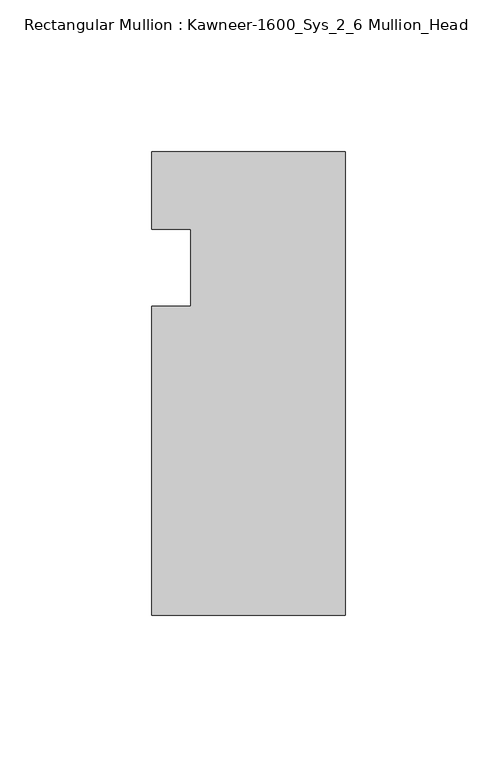
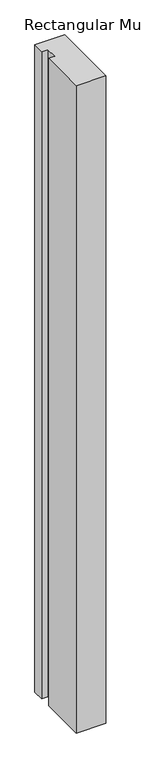
"""IFC4 building model written with IfcOpenShell, lengths in millimetres: member geometry, Rectangular Mullion : Kawneer-1600_Sys_2_6 Mullion_Head."""

from ifc_helpers import new_model, si_unit, frame, origin, place, context, project, spatial, polyline, outline, extrude, source, transform, mapped, element, save


def rectangular_mullion_kawneer_1600_sys_2_6_mullion_head_5498841b(model_context):
    return source(origin(), model_context, "Body", "SweptSolid", [
        extrude(outline(polyline([(-63.5, -114.3), (-63.5, -12.7), (-50.7982296, -12.7), (-50.7982296, 12.7), (-63.5, 12.7), (-63.5, 38.1), (0.0, 38.1), (0.0, -114.3), (-63.5, -114.3)])), frame((0.0, 0.0, -1460.5), z_axis=(0.0, 0.0, 1.0), x_axis=(1.0, 0.0, 0.0)), (0.0, 0.0, 1.0), 1460.5),
    ])


if __name__ == "__main__":
    model = new_model("IFC4")
    model_context = context("Model", 3, world=origin())
    ifc_project = project(units=[si_unit("LENGTHUNIT", "METRE", prefix="MILLI")], contexts=[model_context])
    site = spatial("IfcSite", under=ifc_project)
    building = spatial("IfcBuilding", under=site)
    placement = place(None, origin())
    rectangular_mullion_kawneer_1600_sys_2_6_mullion_head_shape = rectangular_mullion_kawneer_1600_sys_2_6_mullion_head_5498841b(model_context)
    element("IfcMember", 1, ObjectType="Rectangular Mullion : Kawneer-1600_Sys_2_6 Mullion_Head", at=placement, inside=building, context=model_context, shape_type="MappedRepresentation", body=[
        mapped(rectangular_mullion_kawneer_1600_sys_2_6_mullion_head_shape, transform((0.0, 0.0, 0.0), x_axis=(1.0, 0.0, 0.0), y_axis=(0.0, 1.0, 0.0), z_axis=(0.0, 0.0, 1.0))),
    ])
    save(model, "model.ifc")
